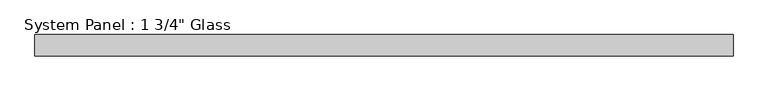
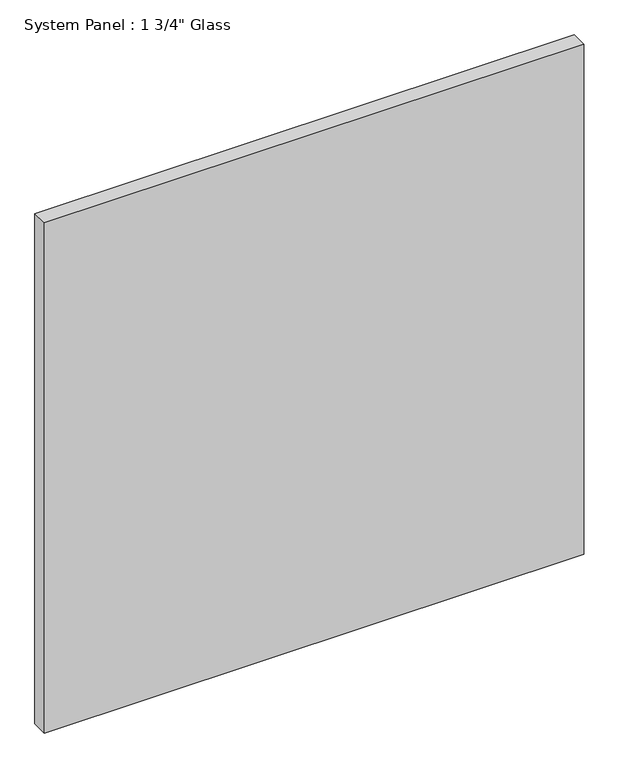
"""IFC4 building model written with IfcOpenShell, lengths in millimetres: plate geometry."""

from ifc_helpers import new_model, si_unit, origin, origin_with_axes, place, context, project, spatial, polyline, outline, extrude, source, transform, mapped, element, save


def plate_8b4c0da2(model_context):
    return source(origin(), model_context, "Body", "SweptSolid", [
        extrude(outline(polyline([(727.075, -22.225), (-727.075, -22.225), (-727.075, 22.225), (727.075, 22.225), (727.075, -22.225)])), origin_with_axes(), (0.0, 0.0, 1.0), 1454.15),
    ])


if __name__ == "__main__":
    model = new_model("IFC4")
    model_context = context("Model", 3, world=origin())
    ifc_project = project(units=[si_unit("LENGTHUNIT", "METRE", prefix="MILLI")], contexts=[model_context])
    site = spatial("IfcSite", under=ifc_project)
    building = spatial("IfcBuilding", under=site)
    placement = place(None, origin())
    plate_shape = plate_8b4c0da2(model_context)
    element("IfcPlate", 1, ObjectType="System Panel : 1 3/4\" Glass", at=placement, inside=building, context=model_context, shape_type="MappedRepresentation", body=[
        mapped(plate_shape, transform((0.0, 0.0, 0.0), x_axis=(1.0, 0.0, 0.0), y_axis=(0.0, 1.0, 0.0), z_axis=(0.0, 0.0, 1.0))),
    ])
    save(model, "model.ifc")
